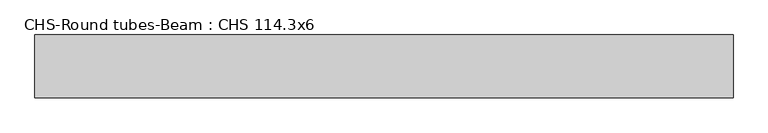
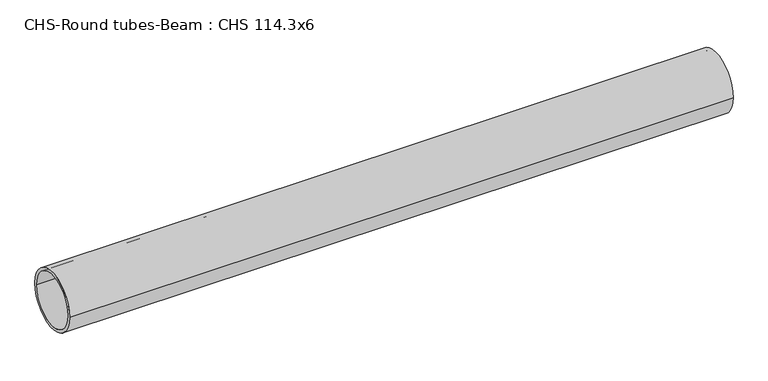
"""IFC4 building model written with IfcOpenShell, lengths in millimetres: beam geometry, CHS-Round tubes-Beam : CHS 114.3x6."""

from ifc_helpers import new_model, si_unit, point, frame, origin, origin_2d, place, context, project, spatial, circle_curve, trimmed, segment, composite_curve, outline, extrude, source, transform, mapped, element, save


def chs_round_tubes_beam_chs_114_3x6_eb4f5acb(model_context):
    return source(origin(), model_context, "Body", "SweptSolid", [
        extrude(outline(composite_curve([segment(trimmed(circle_curve(origin_2d(), 57.15), [point((57.15, 0.0))], [point((-57.15, 0.0))], False, "CARTESIAN"), True, "CONTINUOUS"), segment(trimmed(circle_curve(origin_2d(), 57.15), [point((-57.15, 0.0))], [point((57.15, 0.0))], False, "CARTESIAN"), True, "CONTINUOUS")], self_intersect=False), holes=[composite_curve([segment(trimmed(circle_curve(origin_2d(), 51.15), [point((51.15, 0.0))], [point((-51.15, 0.0))], True, "CARTESIAN"), True, "CONTINUOUS"), segment(trimmed(circle_curve(origin_2d(), 51.15), [point((-51.15, 0.0))], [point((51.15, 0.0))], True, "CARTESIAN"), True, "CONTINUOUS")], self_intersect=False)]), frame((-638.7658428, 0.0, 0.0), z_axis=(1.0, 0.0, 0.0), x_axis=(0.0, 1.0, 0.0)), (0.0, 0.0, 1.0), 1265.8299771),
    ])


if __name__ == "__main__":
    model = new_model("IFC4")
    model_context = context("Model", 3, world=origin())
    ifc_project = project(units=[si_unit("LENGTHUNIT", "METRE", prefix="MILLI")], contexts=[model_context])
    site = spatial("IfcSite", under=ifc_project)
    building = spatial("IfcBuilding", under=site)
    placement = place(None, origin())
    chs_round_tubes_beam_chs_114_3x6_shape = chs_round_tubes_beam_chs_114_3x6_eb4f5acb(model_context)
    element("IfcBeam", 1, ObjectType="CHS-Round tubes-Beam : CHS 114.3x6", at=placement, inside=building, context=model_context, shape_type="MappedRepresentation", body=[
        mapped(chs_round_tubes_beam_chs_114_3x6_shape, transform((0.0, 0.0, 0.0), x_axis=(1.0, 0.0, 0.0), y_axis=(0.0, 1.0, 0.0), z_axis=(0.0, 0.0, 1.0))),
    ])
    save(model, "model.ifc")
